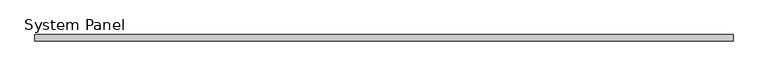
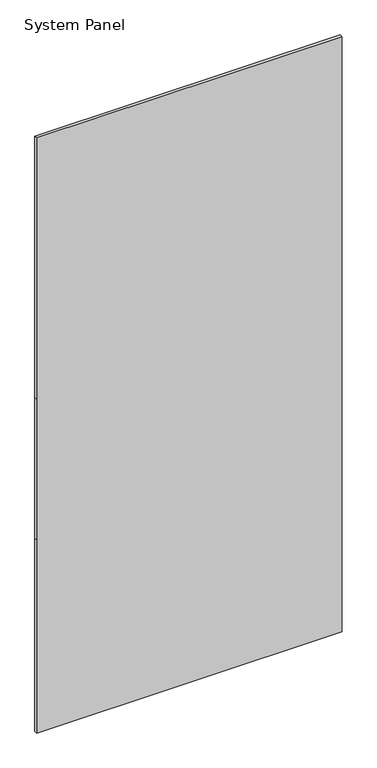
"""IFC4 building model written with IfcOpenShell, lengths in millimetres: plate geometry, System Panel."""

import ifcopenshell
import ifcopenshell.guid

model = None  # the IFC model being written
_history = None  # IfcOwnerHistory: only IFC2X3 demands one
_inside = {}  # id of a spatial element -> (the spatial element, [elements in it])
_under = {}  # id of a project, library or spatial element -> (it, [spatial elements below it])
_declared = {}  # id of a project -> (the project, [libraries it declares])
_typed = {}  # id of a type object -> (the type object, [elements of that type])
_made_of = {}  # id of a material, layer set ... -> (it, [elements and type objects made of it])


def new_model(schema):
    """Start an empty IFC model of exactly this schema.

    Asked for "IFC4X3", IfcOpenShell would pick the latest addendum, in which some entities
    have other attributes; the version numbers below select the first issue.
    IFC2X3 requires an IfcOwnerHistory on every rooted entity: one is made here for all.
    """
    global model, _history
    if schema == "IFC4X3":
        model = ifcopenshell.file(schema_version=(4, 3, 0, 0))
    else:
        model = ifcopenshell.file(schema=schema)
    _inside.clear()
    _under.clear()
    _declared.clear()
    _typed.clear()
    _made_of.clear()
    _history = None
    if model.schema == "IFC2X3":
        org = make("IfcOrganization", Name="unknown")
        user = make(
            "IfcPersonAndOrganization",
            ThePerson=make("IfcPerson", FamilyName="unknown"),
            TheOrganization=org,
        )
        app = make(
            "IfcApplication",
            ApplicationDeveloper=org,
            Version="unknown",
            ApplicationFullName="unknown",
            ApplicationIdentifier="unknown",
        )
        _history = make(
            "IfcOwnerHistory",
            OwningUser=user,
            OwningApplication=app,
            ChangeAction="ADDED",
            CreationDate=0,
        )
    return model


def make(cls, **values):
    """One entity of the class cls with the attributes given. An attribute that is None is left unset."""
    return model.create_entity(
        cls, **{name: value for name, value in values.items() if value is not None}
    )


def rooted(cls, **values):
    """An entity with a GlobalId (a new one), such as an element, a storey or a relation."""
    return make(cls, GlobalId=ifcopenshell.guid.new(), OwnerHistory=_history, **values)


def si_unit(unit_type, name, prefix=None):
    """IfcSIUnit, for example si_unit("LENGTHUNIT", "METRE", prefix="MILLI")."""
    return make("IfcSIUnit", UnitType=unit_type, Prefix=prefix, Name=name)


def assignment(units):
    """IfcUnitAssignment: the units of a project."""
    return None if units is None else make("IfcUnitAssignment", Units=units)


def point(xyz):
    """IfcCartesianPoint."""
    return None if xyz is None else make("IfcCartesianPoint", Coordinates=xyz)


def direction(xyz):
    """IfcDirection."""
    return None if xyz is None else make("IfcDirection", DirectionRatios=xyz)


def frame(location, z_axis=None, x_axis=None):
    """IfcAxis2Placement3D, a coordinate frame: its origin and axes. An axis left out is left unset."""
    return make(
        "IfcAxis2Placement3D",
        Location=point(location),
        Axis=direction(z_axis),
        RefDirection=direction(x_axis),
    )


def origin():
    """The frame at (0, 0, 0) with its axes left unset."""
    return frame((0.0, 0.0, 0.0))


def place(relative_to, where):
    """IfcLocalPlacement: puts the frame where relative to a parent placement (None: the world)."""
    return make(
        "IfcLocalPlacement", PlacementRelTo=relative_to, RelativePlacement=where
    )


def context(
    kind, dimensions, precision=None, world=None, true_north=None, identifier=None
):
    """IfcGeometricRepresentationContext, for example the 3D "Model" context."""
    return make(
        "IfcGeometricRepresentationContext",
        ContextIdentifier=identifier,
        ContextType=kind,
        CoordinateSpaceDimension=dimensions,
        Precision=precision,
        WorldCoordinateSystem=world,
        TrueNorth=true_north,
    )


def project(units=None, contexts=None):
    """IfcProject with its units and contexts."""
    return rooted(
        "IfcProject",
        Name="project",
        RepresentationContexts=contexts,
        UnitsInContext=assignment(units),
    )


def spatial(cls, under=None, at=None, **own):
    """A site, building, storey or space (cls), placed at a placement, below another one or the project."""
    s = rooted(cls, ObjectPlacement=at, **own)
    if under is not None:
        _under.setdefault(under.id(), (under, []))[1].append(s)
    return s


def polyline(points):
    """IfcPolyline through the points."""
    return make("IfcPolyline", Points=[point(p) for p in points])


def outline(outer, holes=None, kind="AREA"):
    """IfcArbitraryClosedProfileDef: a profile drawn as a closed curve; with holes, ...WithVoids."""
    if holes is None:
        return make("IfcArbitraryClosedProfileDef", ProfileType=kind, OuterCurve=outer)
    return make(
        "IfcArbitraryProfileDefWithVoids",
        ProfileType=kind,
        OuterCurve=outer,
        InnerCurves=holes,
    )


def extrude(swept, where, along, depth):
    """IfcExtrudedAreaSolid: the profile swept, set in the frame where, extruded along a direction by depth."""
    return make(
        "IfcExtrudedAreaSolid",
        SweptArea=swept,
        Position=where,
        ExtrudedDirection=direction(along),
        Depth=depth,
    )


def shape(context_of_items, identifier, shape_type, items):
    """IfcShapeRepresentation: the items that make up one representation, for example the "Body"."""
    return make(
        "IfcShapeRepresentation",
        ContextOfItems=context_of_items,
        RepresentationIdentifier=identifier,
        RepresentationType=shape_type,
        Items=items,
    )


def source(mapping_origin, context_of_items, identifier, shape_type, items):
    """IfcRepresentationMap: a shape defined once, which mapped items show again and again."""
    return make(
        "IfcRepresentationMap",
        MappingOrigin=mapping_origin,
        MappedRepresentation=shape(context_of_items, identifier, shape_type, items),
    )


def transform(
    local_origin,
    x_axis=None,
    y_axis=None,
    z_axis=None,
    scale=None,
    scale2=None,
    scale3=None,
    uniform=True,
):
    """IfcCartesianTransformationOperator3D, or its non-uniform kind. x_axis, y_axis, z_axis: its Axis1, 2, 3."""
    if uniform:
        return make(
            "IfcCartesianTransformationOperator3D",
            Axis1=direction(x_axis),
            Axis2=direction(y_axis),
            LocalOrigin=point(local_origin),
            Scale=scale,
            Axis3=direction(z_axis),
        )
    return make(
        "IfcCartesianTransformationOperator3DnonUniform",
        Axis1=direction(x_axis),
        Axis2=direction(y_axis),
        LocalOrigin=point(local_origin),
        Scale=scale,
        Axis3=direction(z_axis),
        Scale2=scale2,
        Scale3=scale3,
    )


def mapped(mapping_source, mapping_target):
    """IfcMappedItem: shows the shape of a source again, moved by a transform."""
    return make(
        "IfcMappedItem", MappingSource=mapping_source, MappingTarget=mapping_target
    )


def made_of(thing, what):
    """Note that an element or type object is made of a material, layer set ...; save() writes the relation."""
    if what is not None:
        _made_of.setdefault(what.id(), (what, []))[1].append(thing)
    return thing


def element(
    cls,
    number,
    at=None,
    inside=None,
    cuts=None,
    type_object=None,
    material=None,
    context=None,
    identifier="Body",
    shape_type=None,
    held_by="IfcProductDefinitionShape",
    body=None,
    shapes=None,
    **own,
):
    """One element of the class cls, such as IfcWall. Its Tag is "e" and its number.

    at: its placement. inside: the storey or other place that contains it. cuts: it is an
    opening in that element (IfcRelVoidsElement). A single representation is given by context,
    identifier, shape_type and body (its items); several are given by shapes. held_by: the class
    of the entity that holds the representations. save() writes the other relations.
    """
    e = rooted(cls, Tag="e%d" % number, ObjectPlacement=at, **own)
    if body is not None:
        shapes = [shape(context, identifier, shape_type, body)]
    if shapes is not None:
        e.Representation = make(held_by, Representations=shapes)
    if inside is not None:
        _inside.setdefault(inside.id(), (inside, []))[1].append(e)
    if cuts is not None:
        rooted(
            "IfcRelVoidsElement", RelatingBuildingElement=cuts, RelatedOpeningElement=e
        )
    if type_object is not None:
        _typed.setdefault(type_object.id(), (type_object, []))[1].append(e)
    return made_of(e, material)


def aggregate(whole, parts):
    """IfcRelAggregates: a whole, such as a stair, and the parts it consists of."""
    return rooted("IfcRelAggregates", RelatingObject=whole, RelatedObjects=parts)


def save(model, path):
    """Write the relations noted so far, then the file.

    IfcRelAggregates (storeys below a building ...), IfcRelContainedInSpatialStructure (elements
    in a storey), IfcRelDefinesByType, IfcRelAssociatesMaterial and IfcRelDeclares: one each for
    every whole, place, type object, material and project.
    """
    for whole, parts in _under.values():
        aggregate(whole, parts)
    for where, things in _inside.values():
        rooted(
            "IfcRelContainedInSpatialStructure",
            RelatedElements=things,
            RelatingStructure=where,
        )
    for kind, things in _typed.values():
        rooted("IfcRelDefinesByType", RelatedObjects=things, RelatingType=kind)
    for what, things in _made_of.values():
        rooted("IfcRelAssociatesMaterial", RelatedObjects=things, RelatingMaterial=what)
    for by, libraries in _declared.values():
        rooted("IfcRelDeclares", RelatingContext=by, RelatedDefinitions=libraries)
    model.write(path)


def system_panel_58196e8c(model_context):
    return source(origin(), model_context, "Body", "SweptSolid", [
        extrude(outline(polyline([(0.0, -547.9674999), (0.0, 547.9674999), (732.21, 547.9674999), (1265.61, 547.9674999), (2255.369375, 547.9674999), (2255.369375, -547.9674999), (1265.61, -547.9674999), (732.21, -547.9674999), (0.0, -547.9674999)])), frame((0.0, -5.0, 0.0), z_axis=(0.0, 1.0, 0.0), x_axis=(0.0, 0.0, 1.0)), (0.0, 0.0, 1.0), 10.0),
    ])


if __name__ == "__main__":
    model = new_model("IFC4")
    model_context = context("Model", 3, world=origin())
    ifc_project = project(units=[si_unit("LENGTHUNIT", "METRE", prefix="MILLI")], contexts=[model_context])
    site = spatial("IfcSite", under=ifc_project)
    building = spatial("IfcBuilding", under=site)
    placement = place(None, origin())
    system_panel_shape = system_panel_58196e8c(model_context)
    element("IfcPlate", 1, ObjectType="System Panel", at=placement, inside=building, context=model_context, shape_type="MappedRepresentation", body=[
        mapped(system_panel_shape, transform((0.0, 0.0, 0.0), x_axis=(1.0, 0.0, 0.0), y_axis=(0.0, 1.0, 0.0), z_axis=(0.0, 0.0, 1.0))),
    ])
    save(model, "model.ifc")
